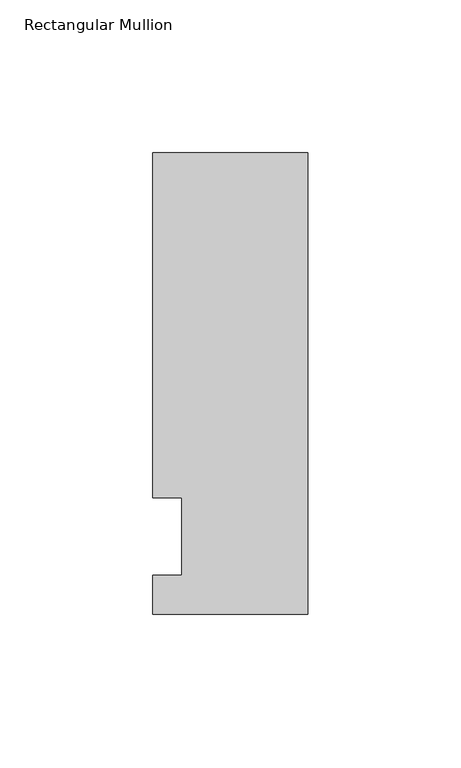
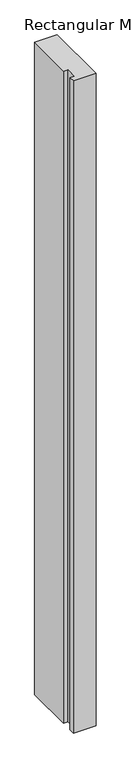
"""IFC4 building model written with IfcOpenShell, lengths in millimetres: member geometry, Rectangular Mullion."""

from ifc_helpers import new_model, si_unit, frame, origin, place, context, project, spatial, polyline, outline, extrude, source, transform, mapped, element, save


def rectangular_mullion_31526012(model_context):
    return source(origin(), model_context, "Body", "SweptSolid", [
        extrude(outline(polyline([(-50.8, -25.5984375), (-50.8, -12.7), (-41.275, -12.7), (-41.275, 12.7), (-50.8, 12.7), (-50.8, 125.6109375), (0.0, 125.6109375), (0.0, -25.5984375), (-50.8, -25.5984375)])), frame((0.0, 0.0, -1555.75), z_axis=(0.0, 0.0, 1.0), x_axis=(1.0, 0.0, 0.0)), (0.0, 0.0, 1.0), 1555.75),
    ])


if __name__ == "__main__":
    model = new_model("IFC4")
    model_context = context("Model", 3, world=origin())
    ifc_project = project(units=[si_unit("LENGTHUNIT", "METRE", prefix="MILLI")], contexts=[model_context])
    site = spatial("IfcSite", under=ifc_project)
    building = spatial("IfcBuilding", under=site)
    placement = place(None, origin())
    rectangular_mullion_shape = rectangular_mullion_31526012(model_context)
    element("IfcMember", 1, ObjectType="Rectangular Mullion", at=placement, inside=building, context=model_context, shape_type="MappedRepresentation", body=[
        mapped(rectangular_mullion_shape, transform((0.0, 0.0, 0.0), x_axis=(1.0, 0.0, 0.0), y_axis=(0.0, 1.0, 0.0), z_axis=(0.0, 0.0, 1.0))),
    ])
    save(model, "model.ifc")
